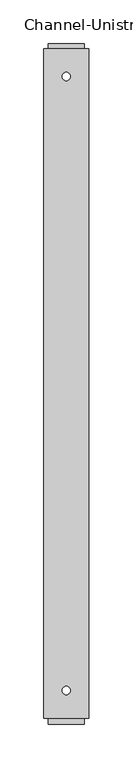
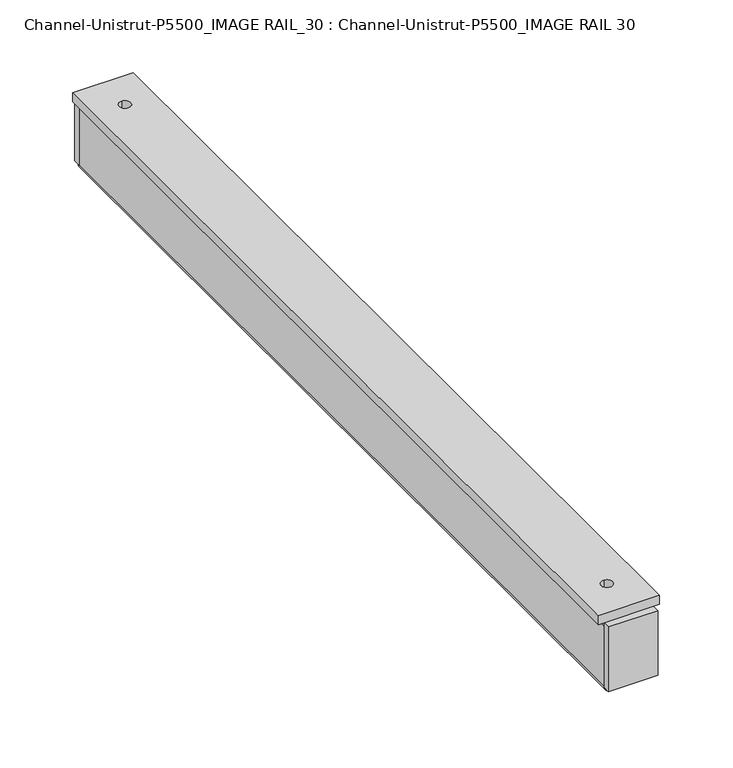
"""IFC4 building model written with IfcOpenShell, lengths in millimetres: proxy geometry, Channel-Unistrut-P5500_IMAGE RAIL_30 : Channel-Unistrut-P5500_IMAGE RAIL 30."""

from ifc_helpers import new_model, si_unit, point, frame, frame_2d, origin, place, context, project, spatial, polyline, circle_curve, trimmed, segment, composite_curve, outline, extrude, source, transform, mapped, element, save
from ifc_brep_helpers import plane_surface, cylinder_surface, revolved_surface, advanced_brep


def channel_unistrut_p5500_image_rail_30_channel_unistrut_p5500_e18b0191(model_context):
    return source(origin(), model_context, "Body", "SolidModel", [
        extrude(outline(polyline([(-20.6375, 379.8266199), (-20.6375, 386.1766199), (20.6446865, 386.1766199), (20.6446865, 379.8266199), (-20.6375, 379.8266199)])), frame((0.0, 0.0, 4.75615), z_axis=(0.0, 0.0, 1.0), x_axis=(1.0, 0.0, 0.0)), (0.0, 0.0, 1.0), 57.15),
        extrude(outline(polyline([(25.3928135, -381.0), (-25.4071865, -381.0), (-25.4071865, 381.0), (25.3928135, 381.0), (25.3928135, -381.0)]), holes=[composite_curve([segment(trimmed(circle_curve(frame_2d((-0.0071865, -349.25)), 4.7625), [point((-0.0071865, -354.0125))], [point((-0.0071865, -344.4875))], True, "CARTESIAN"), True, "CONTINUOUS"), segment(trimmed(circle_curve(frame_2d((-0.0071865, -349.25)), 4.7625), [point((-0.0071865, -344.4875))], [point((-0.0071865, -354.0125))], True, "CARTESIAN"), True, "CONTINUOUS")], self_intersect=False), composite_curve([segment(trimmed(circle_curve(frame_2d((-0.0071865, 349.25)), 4.7625), [point((-0.0071865, 344.4875))], [point((-0.0071865, 354.0125))], True, "CARTESIAN"), True, "CONTINUOUS"), segment(trimmed(circle_curve(frame_2d((-0.0071865, 349.25)), 4.7625), [point((-0.0071865, 354.0125))], [point((-0.0071865, 344.4875))], True, "CARTESIAN"), True, "CONTINUOUS")], self_intersect=False)]), frame((0.0, 0.0, 61.90615), z_axis=(0.0, 0.0, 1.0), x_axis=(1.0, 0.0, 0.0)), (0.0, 0.0, 1.0), 7.9375),
        extrude(outline(polyline([(-20.6375, -387.35), (-20.6375, -381.0), (20.6375, -381.0), (20.6375, -387.35), (-20.6375, -387.35)])), frame((0.0, 0.0, 4.7877902), z_axis=(0.0, 0.0, 1.0), x_axis=(1.0, 0.0, 0.0)), (0.0, 0.0, 1.0), 57.15),
        advanced_brep(
        [(-17.9705, 381.0, 58.4454), (-17.9705, 381.0, 5.04825), (-15.58925, 381.0, 2.667), (-14.57325, 381.0, 2.667), (-13.7795, 381.0, 3.46075), (-13.7795, 381.0, 7.1374), (-11.1125, 381.0, 7.1374), (-11.1125, 381.0, 3.46075), (-14.57325, 381.0, 0.0), (-15.58925, 381.0, 0.0), (-20.6375, 381.0, 5.04825), (-20.6375, 381.0, 58.4454), (-17.17675, 381.0, 61.90615), (17.17675, 381.0, 61.90615), (20.6375, 381.0, 58.4454), (20.6375, 381.0, 5.04825), (15.58925, 381.0, 0.0), (14.57325, 381.0, 0.0), (11.1125, 381.0, 3.46075), (11.1125, 381.0, 7.1374), (13.7795, 381.0, 7.1374), (13.7795, 381.0, 3.46075), (14.57325, 381.0, 2.667), (15.58925, 381.0, 2.667), (17.9705, 381.0, 5.04825), (17.9705, 381.0, 58.4454), (17.17675, 381.0, 59.23915), (-17.17675, 381.0, 59.23915), (-17.9705, -381.0, 58.4454), (-17.17675, -381.0, 59.23915), (17.17675, -381.0, 59.23915), (17.9705, -381.0, 58.4454), (17.9705, -381.0, 5.04825), (15.58925, -381.0, 2.667), (14.57325, -381.0, 2.667), (13.7795, -381.0, 3.46075), (13.7795, -381.0, 7.1374), (11.1125, -381.0, 7.1374), (11.1125, -381.0, 3.46075), (14.57325, -381.0, 0.0), (15.58925, -381.0, 0.0), (20.6375, -381.0, 5.04825), (20.6375, -381.0, 58.4454), (17.17675, -381.0, 61.90615), (-17.17675, -381.0, 61.90615), (-20.6375, -381.0, 58.4454), (-20.6375, -381.0, 5.04825), (-15.58925, -381.0, 0.0), (-14.57325, -381.0, 0.0), (-11.1125, -381.0, 3.46075), (-11.1125, -381.0, 7.1374), (-13.7795, -381.0, 7.1374), (-13.7795, -381.0, 3.46075), (-14.57325, -381.0, 2.667), (-15.58925, -381.0, 2.667), (-17.9705, -381.0, 5.04825), (7.14375, 108.74375, 61.90615), (7.14375, 94.45625, 61.90615), (-7.14375, 94.45625, 61.90615), (-7.14375, 108.74375, 61.90615), (7.14375, -348.45625, 61.90615), (7.14375, -362.74375, 61.90615), (-7.14375, -362.74375, 61.90615), (-7.14375, -348.45625, 61.90615), (7.14375, -297.65625, 61.90615), (7.14375, -311.94375, 61.90615), (-7.14375, -311.94375, 61.90615), (-7.14375, -297.65625, 61.90615), (7.14375, -246.85625, 61.90615), (7.14375, -261.14375, 61.90615), (-7.14375, -261.14375, 61.90615), (-7.14375, -246.85625, 61.90615), (7.14375, -196.05625, 61.90615), (7.14375, -210.34375, 61.90615), (-7.14375, -210.34375, 61.90615), (-7.14375, -196.05625, 61.90615), (7.14375, -145.25625, 61.90615), (7.14375, -159.54375, 61.90615), (-7.14375, -159.54375, 61.90615), (-7.14375, -145.25625, 61.90615), (7.14375, -94.45625, 61.90615), (7.14375, -108.74375, 61.90615), (-7.14375, -108.74375, 61.90615), (-7.14375, -94.45625, 61.90615), (7.14375, -43.65625, 61.90615), (7.14375, -57.94375, 61.90615), (-7.14375, -57.94375, 61.90615), (-7.14375, -43.65625, 61.90615), (7.14375, 7.14375, 61.90615), (7.14375, -7.14375, 61.90615), (-7.14375, -7.14375, 61.90615), (-7.14375, 7.14375, 61.90615), (7.14375, 57.94375, 61.90615), (7.14375, 43.65625, 61.90615), (-7.14375, 43.65625, 61.90615), (-7.14375, 57.94375, 61.90615), (7.14375, 159.54375, 61.90615), (7.14375, 145.25625, 61.90615), (-7.14375, 145.25625, 61.90615), (-7.14375, 159.54375, 61.90615), (7.14375, 210.34375, 61.90615), (7.14375, 196.05625, 61.90615), (-7.14375, 196.05625, 61.90615), (-7.14375, 210.34375, 61.90615), (7.14375, 261.14375, 61.90615), (7.14375, 246.85625, 61.90615), (-7.14375, 246.85625, 61.90615), (-7.14375, 261.14375, 61.90615), (7.14375, 311.94375, 61.90615), (7.14375, 297.65625, 61.90615), (-7.14375, 297.65625, 61.90615), (-7.14375, 311.94375, 61.90615), (7.14375, 362.74375, 61.90615), (7.14375, 348.45625, 61.90615), (-7.14375, 348.45625, 61.90615), (-7.14375, 362.74375, 61.90615), (7.14375, 94.45625, 59.23915), (7.14375, 108.74375, 59.23915), (-7.14375, 108.74375, 59.23915), (-7.14375, 94.45625, 59.23915), (7.14375, -362.74375, 59.23915), (7.14375, -348.45625, 59.23915), (-7.14375, -348.45625, 59.23915), (-7.14375, -362.74375, 59.23915), (7.14375, -311.94375, 59.23915), (7.14375, -297.65625, 59.23915), (-7.14375, -297.65625, 59.23915), (-7.14375, -311.94375, 59.23915), (7.14375, -261.14375, 59.23915), (7.14375, -246.85625, 59.23915), (-7.14375, -246.85625, 59.23915), (-7.14375, -261.14375, 59.23915), (7.14375, -210.34375, 59.23915), (7.14375, -196.05625, 59.23915), (-7.14375, -196.05625, 59.23915), (-7.14375, -210.34375, 59.23915), (7.14375, -159.54375, 59.23915), (7.14375, -145.25625, 59.23915), (-7.14375, -145.25625, 59.23915), (-7.14375, -159.54375, 59.23915), (7.14375, -108.74375, 59.23915), (7.14375, -94.45625, 59.23915), (-7.14375, -94.45625, 59.23915), (-7.14375, -108.74375, 59.23915), (7.14375, -57.94375, 59.23915), (7.14375, -43.65625, 59.23915), (-7.14375, -43.65625, 59.23915), (-7.14375, -57.94375, 59.23915), (7.14375, -7.14375, 59.23915), (7.14375, 7.14375, 59.23915), (-7.14375, 7.14375, 59.23915), (-7.14375, -7.14375, 59.23915), (7.14375, 43.65625, 59.23915), (7.14375, 57.94375, 59.23915), (-7.14375, 57.94375, 59.23915), (-7.14375, 43.65625, 59.23915), (7.14375, 145.25625, 59.23915), (7.14375, 159.54375, 59.23915), (-7.14375, 159.54375, 59.23915), (-7.14375, 145.25625, 59.23915), (7.14375, 196.05625, 59.23915), (7.14375, 210.34375, 59.23915), (-7.14375, 210.34375, 59.23915), (-7.14375, 196.05625, 59.23915), (7.14375, 246.85625, 59.23915), (7.14375, 261.14375, 59.23915), (-7.14375, 261.14375, 59.23915), (-7.14375, 246.85625, 59.23915), (7.14375, 297.65625, 59.23915), (7.14375, 311.94375, 59.23915), (-7.14375, 311.94375, 59.23915), (-7.14375, 297.65625, 59.23915), (7.14375, 348.45625, 59.23915), (7.14375, 362.74375, 59.23915), (-7.14375, 362.74375, 59.23915), (-7.14375, 348.45625, 59.23915)],
        [
            (0, 1),
            (1, 2, circle_curve(frame((-15.58925, 381.0, 5.04825), z_axis=(0.0, -1.0, 0.0), x_axis=(1.0, 0.0, 0.0)), 2.38125)),
            (2, 3),
            (3, 4, circle_curve(frame((-14.57325, 381.0, 3.46075), z_axis=(0.0, -1.0, 0.0), x_axis=(1.0, 0.0, 0.0)), 0.79375)),
            (4, 5),
            (5, 6),
            (6, 7),
            (7, 8, circle_curve(frame((-14.57325, 381.0, 3.46075), z_axis=(0.0, 1.0, 0.0), x_axis=(1.0, 0.0, 0.0)), 3.46075)),
            (8, 9),
            (9, 10, circle_curve(frame((-15.58925, 381.0, 5.04825), z_axis=(0.0, 1.0, 0.0), x_axis=(1.0, 0.0, 0.0)), 5.04825)),
            (10, 11),
            (11, 12, circle_curve(frame((-17.17675, 381.0, 58.4454), z_axis=(0.0, 1.0, 0.0), x_axis=(1.0, 0.0, 0.0)), 3.46075)),
            (12, 13),
            (13, 14, circle_curve(frame((17.17675, 381.0, 58.4454), z_axis=(0.0, 1.0, 0.0), x_axis=(1.0, 0.0, 0.0)), 3.46075)),
            (14, 15),
            (15, 16, circle_curve(frame((15.58925, 381.0, 5.04825), z_axis=(0.0, 1.0, 0.0), x_axis=(1.0, 0.0, 0.0)), 5.04825)),
            (16, 17),
            (17, 18, circle_curve(frame((14.57325, 381.0, 3.46075), z_axis=(0.0, 1.0, 0.0), x_axis=(1.0, 0.0, 0.0)), 3.46075)),
            (18, 19),
            (19, 20),
            (20, 21),
            (21, 22, circle_curve(frame((14.57325, 381.0, 3.46075), z_axis=(0.0, -1.0, 0.0), x_axis=(1.0, 0.0, 0.0)), 0.79375)),
            (22, 23),
            (23, 24, circle_curve(frame((15.58925, 381.0, 5.04825), z_axis=(0.0, -1.0, 0.0), x_axis=(1.0, 0.0, 0.0)), 2.38125)),
            (24, 25),
            (25, 26, circle_curve(frame((17.17675, 381.0, 58.4454), z_axis=(0.0, -1.0, 0.0), x_axis=(1.0, 0.0, 0.0)), 0.79375)),
            (26, 27),
            (27, 0, circle_curve(frame((-17.17675, 381.0, 58.4454), z_axis=(0.0, -1.0, 0.0), x_axis=(1.0, 0.0, 0.0)), 0.79375)),
            (28, 29, circle_curve(frame((-17.17675, -381.0, 58.4454), z_axis=(0.0, 1.0, 0.0), x_axis=(1.0, 0.0, 0.0)), 0.79375)),
            (29, 30),
            (30, 31, circle_curve(frame((17.17675, -381.0, 58.4454), z_axis=(0.0, 1.0, 0.0), x_axis=(1.0, 0.0, 0.0)), 0.79375)),
            (31, 32),
            (32, 33, circle_curve(frame((15.58925, -381.0, 5.04825), z_axis=(0.0, 1.0, 0.0), x_axis=(1.0, 0.0, 0.0)), 2.38125)),
            (33, 34),
            (34, 35, circle_curve(frame((14.57325, -381.0, 3.46075), z_axis=(0.0, 1.0, 0.0), x_axis=(1.0, 0.0, 0.0)), 0.79375)),
            (35, 36),
            (36, 37),
            (37, 38),
            (38, 39, circle_curve(frame((14.57325, -381.0, 3.46075), z_axis=(0.0, -1.0, 0.0), x_axis=(1.0, 0.0, 0.0)), 3.46075)),
            (39, 40),
            (40, 41, circle_curve(frame((15.58925, -381.0, 5.04825), z_axis=(0.0, -1.0, 0.0), x_axis=(1.0, 0.0, 0.0)), 5.04825)),
            (41, 42),
            (42, 43, circle_curve(frame((17.17675, -381.0, 58.4454), z_axis=(0.0, -1.0, 0.0), x_axis=(1.0, 0.0, 0.0)), 3.46075)),
            (43, 44),
            (44, 45, circle_curve(frame((-17.17675, -381.0, 58.4454), z_axis=(0.0, -1.0, 0.0), x_axis=(1.0, 0.0, 0.0)), 3.46075)),
            (45, 46),
            (46, 47, circle_curve(frame((-15.58925, -381.0, 5.04825), z_axis=(0.0, -1.0, 0.0), x_axis=(1.0, 0.0, 0.0)), 5.04825)),
            (47, 48),
            (48, 49, circle_curve(frame((-14.57325, -381.0, 3.46075), z_axis=(0.0, -1.0, 0.0), x_axis=(1.0, 0.0, 0.0)), 3.46075)),
            (49, 50),
            (50, 51),
            (51, 52),
            (52, 53, circle_curve(frame((-14.57325, -381.0, 3.46075), z_axis=(0.0, 1.0, 0.0), x_axis=(1.0, 0.0, 0.0)), 0.79375)),
            (53, 54),
            (54, 55, circle_curve(frame((-15.58925, -381.0, 5.04825), z_axis=(0.0, 1.0, 0.0), x_axis=(1.0, 0.0, 0.0)), 2.38125)),
            (55, 28),
            (0, 28),
            (55, 1),
            (54, 2),
            (53, 3),
            (52, 4),
            (51, 5),
            (50, 6),
            (49, 7),
            (48, 8),
            (47, 9),
            (46, 10),
            (45, 11),
            (44, 12),
            (43, 13),
            (56, 57),
            (57, 58, circle_curve(frame((0.0, 94.45625, 61.90615), z_axis=(0.0, 0.0, -1.0), x_axis=(1.0, 0.0, 0.0)), 7.14375)),
            (58, 59),
            (59, 56, circle_curve(frame((0.0, 108.74375, 61.90615), z_axis=(0.0, 0.0, -1.0), x_axis=(1.0, 0.0, 0.0)), 7.14375)),
            (60, 61),
            (61, 62, circle_curve(frame((0.0, -362.74375, 61.90615), z_axis=(0.0, 0.0, -1.0), x_axis=(1.0, 0.0, 0.0)), 7.14375)),
            (62, 63),
            (63, 60, circle_curve(frame((0.0, -348.45625, 61.90615), z_axis=(0.0, 0.0, -1.0), x_axis=(1.0, 0.0, 0.0)), 7.14375)),
            (64, 65),
            (65, 66, circle_curve(frame((0.0, -311.94375, 61.90615), z_axis=(0.0, 0.0, -1.0), x_axis=(1.0, 0.0, 0.0)), 7.14375)),
            (66, 67),
            (67, 64, circle_curve(frame((0.0, -297.65625, 61.90615), z_axis=(0.0, 0.0, -1.0), x_axis=(1.0, 0.0, 0.0)), 7.14375)),
            (68, 69),
            (69, 70, circle_curve(frame((0.0, -261.14375, 61.90615), z_axis=(0.0, 0.0, -1.0), x_axis=(1.0, 0.0, 0.0)), 7.14375)),
            (70, 71),
            (71, 68, circle_curve(frame((0.0, -246.85625, 61.90615), z_axis=(0.0, 0.0, -1.0), x_axis=(1.0, 0.0, 0.0)), 7.14375)),
            (72, 73),
            (73, 74, circle_curve(frame((0.0, -210.34375, 61.90615), z_axis=(0.0, 0.0, -1.0), x_axis=(1.0, 0.0, 0.0)), 7.14375)),
            (74, 75),
            (75, 72, circle_curve(frame((0.0, -196.05625, 61.90615), z_axis=(0.0, 0.0, -1.0), x_axis=(1.0, 0.0, 0.0)), 7.14375)),
            (76, 77),
            (77, 78, circle_curve(frame((0.0, -159.54375, 61.90615), z_axis=(0.0, 0.0, -1.0), x_axis=(1.0, 0.0, 0.0)), 7.14375)),
            (78, 79),
            (79, 76, circle_curve(frame((0.0, -145.25625, 61.90615), z_axis=(0.0, 0.0, -1.0), x_axis=(1.0, 0.0, 0.0)), 7.14375)),
            (80, 81),
            (81, 82, circle_curve(frame((0.0, -108.74375, 61.90615), z_axis=(0.0, 0.0, -1.0), x_axis=(1.0, 0.0, 0.0)), 7.14375)),
            (82, 83),
            (83, 80, circle_curve(frame((0.0, -94.45625, 61.90615), z_axis=(0.0, 0.0, -1.0), x_axis=(1.0, 0.0, 0.0)), 7.14375)),
            (84, 85),
            (85, 86, circle_curve(frame((0.0, -57.94375, 61.90615), z_axis=(0.0, 0.0, -1.0), x_axis=(1.0, 0.0, 0.0)), 7.14375)),
            (86, 87),
            (87, 84, circle_curve(frame((0.0, -43.65625, 61.90615), z_axis=(0.0, 0.0, -1.0), x_axis=(1.0, 0.0, 0.0)), 7.14375)),
            (88, 89),
            (89, 90, circle_curve(frame((0.0, -7.14375, 61.90615), z_axis=(0.0, 0.0, -1.0), x_axis=(1.0, 0.0, 0.0)), 7.14375)),
            (90, 91),
            (91, 88, circle_curve(frame((0.0, 7.14375, 61.90615), z_axis=(0.0, 0.0, -1.0), x_axis=(1.0, 0.0, 0.0)), 7.14375)),
            (92, 93),
            (93, 94, circle_curve(frame((0.0, 43.65625, 61.90615), z_axis=(0.0, 0.0, -1.0), x_axis=(1.0, 0.0, 0.0)), 7.14375)),
            (94, 95),
            (95, 92, circle_curve(frame((0.0, 57.94375, 61.90615), z_axis=(0.0, 0.0, -1.0), x_axis=(1.0, 0.0, 0.0)), 7.14375)),
            (96, 97),
            (97, 98, circle_curve(frame((0.0, 145.25625, 61.90615), z_axis=(0.0, 0.0, -1.0), x_axis=(1.0, 0.0, 0.0)), 7.14375)),
            (98, 99),
            (99, 96, circle_curve(frame((0.0, 159.54375, 61.90615), z_axis=(0.0, 0.0, -1.0), x_axis=(1.0, 0.0, 0.0)), 7.14375)),
            (100, 101),
            (101, 102, circle_curve(frame((0.0, 196.05625, 61.90615), z_axis=(0.0, 0.0, -1.0), x_axis=(1.0, 0.0, 0.0)), 7.14375)),
            (102, 103),
            (103, 100, circle_curve(frame((0.0, 210.34375, 61.90615), z_axis=(0.0, 0.0, -1.0), x_axis=(1.0, 0.0, 0.0)), 7.14375)),
            (104, 105),
            (105, 106, circle_curve(frame((0.0, 246.85625, 61.90615), z_axis=(0.0, 0.0, -1.0), x_axis=(1.0, 0.0, 0.0)), 7.14375)),
            (106, 107),
            (107, 104, circle_curve(frame((0.0, 261.14375, 61.90615), z_axis=(0.0, 0.0, -1.0), x_axis=(1.0, 0.0, 0.0)), 7.14375)),
            (108, 109),
            (109, 110, circle_curve(frame((0.0, 297.65625, 61.90615), z_axis=(0.0, 0.0, -1.0), x_axis=(1.0, 0.0, 0.0)), 7.14375)),
            (110, 111),
            (111, 108, circle_curve(frame((0.0, 311.94375, 61.90615), z_axis=(0.0, 0.0, -1.0), x_axis=(1.0, 0.0, 0.0)), 7.14375)),
            (112, 113),
            (113, 114, circle_curve(frame((0.0, 348.45625, 61.90615), z_axis=(0.0, 0.0, -1.0), x_axis=(1.0, 0.0, 0.0)), 7.14375)),
            (114, 115),
            (115, 112, circle_curve(frame((0.0, 362.74375, 61.90615), z_axis=(0.0, 0.0, -1.0), x_axis=(1.0, 0.0, 0.0)), 7.14375)),
            (42, 14),
            (41, 15),
            (40, 16),
            (39, 17),
            (38, 18),
            (37, 19),
            (36, 20),
            (35, 21),
            (34, 22),
            (33, 23),
            (32, 24),
            (31, 25),
            (30, 26),
            (29, 27),
            (116, 117),
            (117, 118, circle_curve(frame((0.0, 108.74375, 59.23915), z_axis=(0.0, 0.0, 1.0), x_axis=(1.0, 0.0, 0.0)), 7.14375)),
            (118, 119),
            (119, 116, circle_curve(frame((0.0, 94.45625, 59.23915), z_axis=(0.0, 0.0, 1.0), x_axis=(1.0, 0.0, 0.0)), 7.14375)),
            (120, 121),
            (121, 122, circle_curve(frame((0.0, -348.45625, 59.23915), z_axis=(0.0, 0.0, 1.0), x_axis=(1.0, 0.0, 0.0)), 7.14375)),
            (122, 123),
            (123, 120, circle_curve(frame((0.0, -362.74375, 59.23915), z_axis=(0.0, 0.0, 1.0), x_axis=(1.0, 0.0, 0.0)), 7.14375)),
            (124, 125),
            (125, 126, circle_curve(frame((0.0, -297.65625, 59.23915), z_axis=(0.0, 0.0, 1.0), x_axis=(1.0, 0.0, 0.0)), 7.14375)),
            (126, 127),
            (127, 124, circle_curve(frame((0.0, -311.94375, 59.23915), z_axis=(0.0, 0.0, 1.0), x_axis=(1.0, 0.0, 0.0)), 7.14375)),
            (128, 129),
            (129, 130, circle_curve(frame((0.0, -246.85625, 59.23915), z_axis=(0.0, 0.0, 1.0), x_axis=(1.0, 0.0, 0.0)), 7.14375)),
            (130, 131),
            (131, 128, circle_curve(frame((0.0, -261.14375, 59.23915), z_axis=(0.0, 0.0, 1.0), x_axis=(1.0, 0.0, 0.0)), 7.14375)),
            (132, 133),
            (133, 134, circle_curve(frame((0.0, -196.05625, 59.23915), z_axis=(0.0, 0.0, 1.0), x_axis=(1.0, 0.0, 0.0)), 7.14375)),
            (134, 135),
            (135, 132, circle_curve(frame((0.0, -210.34375, 59.23915), z_axis=(0.0, 0.0, 1.0), x_axis=(1.0, 0.0, 0.0)), 7.14375)),
            (136, 137),
            (137, 138, circle_curve(frame((0.0, -145.25625, 59.23915), z_axis=(0.0, 0.0, 1.0), x_axis=(1.0, 0.0, 0.0)), 7.14375)),
            (138, 139),
            (139, 136, circle_curve(frame((0.0, -159.54375, 59.23915), z_axis=(0.0, 0.0, 1.0), x_axis=(1.0, 0.0, 0.0)), 7.14375)),
            (140, 141),
            (141, 142, circle_curve(frame((0.0, -94.45625, 59.23915), z_axis=(0.0, 0.0, 1.0), x_axis=(1.0, 0.0, 0.0)), 7.14375)),
            (142, 143),
            (143, 140, circle_curve(frame((0.0, -108.74375, 59.23915), z_axis=(0.0, 0.0, 1.0), x_axis=(1.0, 0.0, 0.0)), 7.14375)),
            (144, 145),
            (145, 146, circle_curve(frame((0.0, -43.65625, 59.23915), z_axis=(0.0, 0.0, 1.0), x_axis=(1.0, 0.0, 0.0)), 7.14375)),
            (146, 147),
            (147, 144, circle_curve(frame((0.0, -57.94375, 59.23915), z_axis=(0.0, 0.0, 1.0), x_axis=(1.0, 0.0, 0.0)), 7.14375)),
            (148, 149),
            (149, 150, circle_curve(frame((0.0, 7.14375, 59.23915), z_axis=(0.0, 0.0, 1.0), x_axis=(1.0, 0.0, 0.0)), 7.14375)),
            (150, 151),
            (151, 148, circle_curve(frame((0.0, -7.14375, 59.23915), z_axis=(0.0, 0.0, 1.0), x_axis=(1.0, 0.0, 0.0)), 7.14375)),
            (152, 153),
            (153, 154, circle_curve(frame((0.0, 57.94375, 59.23915), z_axis=(0.0, 0.0, 1.0), x_axis=(1.0, 0.0, 0.0)), 7.14375)),
            (154, 155),
            (155, 152, circle_curve(frame((0.0, 43.65625, 59.23915), z_axis=(0.0, 0.0, 1.0), x_axis=(1.0, 0.0, 0.0)), 7.14375)),
            (156, 157),
            (157, 158, circle_curve(frame((0.0, 159.54375, 59.23915), z_axis=(0.0, 0.0, 1.0), x_axis=(1.0, 0.0, 0.0)), 7.14375)),
            (158, 159),
            (159, 156, circle_curve(frame((0.0, 145.25625, 59.23915), z_axis=(0.0, 0.0, 1.0), x_axis=(1.0, 0.0, 0.0)), 7.14375)),
            (160, 161),
            (161, 162, circle_curve(frame((0.0, 210.34375, 59.23915), z_axis=(0.0, 0.0, 1.0), x_axis=(1.0, 0.0, 0.0)), 7.14375)),
            (162, 163),
            (163, 160, circle_curve(frame((0.0, 196.05625, 59.23915), z_axis=(0.0, 0.0, 1.0), x_axis=(1.0, 0.0, 0.0)), 7.14375)),
            (164, 165),
            (165, 166, circle_curve(frame((0.0, 261.14375, 59.23915), z_axis=(0.0, 0.0, 1.0), x_axis=(1.0, 0.0, 0.0)), 7.14375)),
            (166, 167),
            (167, 164, circle_curve(frame((0.0, 246.85625, 59.23915), z_axis=(0.0, 0.0, 1.0), x_axis=(1.0, 0.0, 0.0)), 7.14375)),
            (168, 169),
            (169, 170, circle_curve(frame((0.0, 311.94375, 59.23915), z_axis=(0.0, 0.0, 1.0), x_axis=(1.0, 0.0, 0.0)), 7.14375)),
            (170, 171),
            (171, 168, circle_curve(frame((0.0, 297.65625, 59.23915), z_axis=(0.0, 0.0, 1.0), x_axis=(1.0, 0.0, 0.0)), 7.14375)),
            (172, 173),
            (173, 174, circle_curve(frame((0.0, 362.74375, 59.23915), z_axis=(0.0, 0.0, 1.0), x_axis=(1.0, 0.0, 0.0)), 7.14375)),
            (174, 175),
            (175, 172, circle_curve(frame((0.0, 348.45625, 59.23915), z_axis=(0.0, 0.0, 1.0), x_axis=(1.0, 0.0, 0.0)), 7.14375)),
            (60, 121),
            (120, 61),
            (63, 122),
            (62, 123),
            (64, 125),
            (124, 65),
            (67, 126),
            (66, 127),
            (68, 129),
            (128, 69),
            (71, 130),
            (70, 131),
            (72, 133),
            (132, 73),
            (75, 134),
            (74, 135),
            (76, 137),
            (136, 77),
            (79, 138),
            (78, 139),
            (80, 141),
            (140, 81),
            (83, 142),
            (82, 143),
            (84, 145),
            (144, 85),
            (87, 146),
            (86, 147),
            (88, 149),
            (148, 89),
            (91, 150),
            (90, 151),
            (153, 92),
            (95, 154),
            (117, 56),
            (59, 118),
            (157, 96),
            (99, 158),
            (161, 100),
            (103, 162),
            (152, 93),
            (94, 155),
            (116, 57),
            (58, 119),
            (156, 97),
            (98, 159),
            (160, 101),
            (102, 163),
            (104, 165),
            (164, 105),
            (107, 166),
            (106, 167),
            (108, 169),
            (168, 109),
            (111, 170),
            (110, 171),
            (112, 173),
            (172, 113),
            (115, 174),
            (114, 175),
        ],
        [
            plane_surface(frame((0.0, 381.0, 0.0), z_axis=(0.0, 1.0, 0.0), x_axis=(0.0, 0.0, 1.0))),
            plane_surface(frame((0.0, -381.0, 0.0), z_axis=(0.0, -1.0, 0.0), x_axis=(0.0, 0.0, 1.0))),
            plane_surface(frame((-17.9705, 381.0, 58.4454), z_axis=(1.0, 0.0, 0.0), x_axis=(0.0, -1.0, 0.0))),
            revolved_surface(polyline([(-13.208, -381.0, 5.04825), (-13.208, 381.0, 5.04825)]), (-15.58925, 381.0, 5.04825), (0.0, -1.0, 0.0)),
            plane_surface(frame((-15.58925, 381.0, 2.667), z_axis=(0.0, 0.0, 1.0), x_axis=(0.0, -1.0, 0.0))),
            revolved_surface(polyline([(-13.7795, -381.0, 3.46075), (-13.7795, 381.0, 3.46075)]), (-14.57325, 381.0, 3.46075), (0.0, -1.0, 0.0)),
            plane_surface(frame((-13.7795, 381.0, 3.46075), z_axis=(-1.0, 0.0, 0.0), x_axis=(0.0, -1.0, 0.0))),
            plane_surface(frame((-13.7795, 381.0, 7.1374), z_axis=(0.0, 0.0, 1.0), x_axis=(0.0, -1.0, 0.0))),
            plane_surface(frame((-11.1125, 381.0, 7.1374), z_axis=(1.0, 0.0, 0.0), x_axis=(0.0, -1.0, 0.0))),
            cylinder_surface(frame((-14.57325, 381.0, 3.46075), z_axis=(0.0, 1.0, 0.0), x_axis=(1.0, 0.0, 0.0)), 3.46075),
            plane_surface(frame((-14.57325, 381.0, 0.0), z_axis=(0.0, 0.0, -1.0), x_axis=(0.0, -1.0, 0.0))),
            cylinder_surface(frame((-15.58925, 381.0, 5.04825), z_axis=(0.0, 1.0, 0.0), x_axis=(1.0, 0.0, 0.0)), 5.04825),
            plane_surface(frame((-20.6375, 381.0, 5.04825), z_axis=(-1.0, 0.0, 0.0), x_axis=(0.0, -1.0, 0.0))),
            cylinder_surface(frame((-17.17675, 381.0, 58.4454), z_axis=(0.0, 1.0, 0.0), x_axis=(1.0, 0.0, 0.0)), 3.46075),
            plane_surface(frame((-17.17675, 381.0, 61.90615), z_axis=(0.0, 0.0, 1.0), x_axis=(0.0, -1.0, 0.0))),
            cylinder_surface(frame((17.17675, 381.0, 58.4454), z_axis=(0.0, 1.0, 0.0), x_axis=(1.0, 0.0, 0.0)), 3.46075),
            plane_surface(frame((20.6375, 381.0, 58.4454), z_axis=(1.0, 0.0, 0.0), x_axis=(0.0, -1.0, 0.0))),
            cylinder_surface(frame((15.58925, 381.0, 5.04825), z_axis=(0.0, 1.0, 0.0), x_axis=(1.0, 0.0, 0.0)), 5.04825),
            plane_surface(frame((15.58925, 381.0, 0.0), z_axis=(0.0, 0.0, -1.0), x_axis=(0.0, -1.0, 0.0))),
            cylinder_surface(frame((14.57325, 381.0, 3.46075), z_axis=(0.0, 1.0, 0.0), x_axis=(1.0, 0.0, 0.0)), 3.46075),
            plane_surface(frame((11.1125, 381.0, 3.46075), z_axis=(-1.0, 0.0, 0.0), x_axis=(0.0, -1.0, 0.0))),
            plane_surface(frame((11.1125, 381.0, 7.1374), z_axis=(0.0, 0.0, 1.0), x_axis=(0.0, -1.0, 0.0))),
            plane_surface(frame((13.7795, 381.0, 7.1374), z_axis=(1.0, 0.0, 0.0), x_axis=(0.0, -1.0, 0.0))),
            revolved_surface(polyline([(15.366999999999999, -381.0, 3.46075), (15.366999999999999, 381.0, 3.46075)]), (14.57325, 381.0, 3.46075), (0.0, -1.0, 0.0)),
            plane_surface(frame((14.57325, 381.0, 2.667), z_axis=(0.0, 0.0, 1.0), x_axis=(0.0, -1.0, 0.0))),
            revolved_surface(polyline([(17.9705, -381.0, 5.04825), (17.9705, 381.0, 5.04825)]), (15.58925, 381.0, 5.04825), (0.0, -1.0, 0.0)),
            plane_surface(frame((17.9705, 381.0, 5.04825), z_axis=(-1.0, 0.0, 0.0), x_axis=(0.0, -1.0, 0.0))),
            revolved_surface(polyline([(17.970499999999998, -381.0, 58.4454), (17.970499999999998, 381.0, 58.4454)]), (17.17675, 381.0, 58.4454), (0.0, -1.0, 0.0)),
            plane_surface(frame((17.17675, 381.0, 59.23915), z_axis=(0.0, 0.0, -1.0), x_axis=(0.0, -1.0, 0.0))),
            revolved_surface(polyline([(-16.383, -381.0, 58.4454), (-16.383, 381.0, 58.4454)]), (-17.17675, 381.0, 58.4454), (0.0, -1.0, 0.0)),
            plane_surface(frame((7.14375, -362.74375, 61.9125), z_axis=(-1.0, 0.0, 0.0), x_axis=(0.0, 0.0, -1.0))),
            revolved_surface(polyline([(7.14375, -348.45625, 61.90615), (7.14375, -348.45625, 59.23915)]), (0.0, -348.45625, 59.2455), (0.0, 0.0, 1.0)),
            plane_surface(frame((-7.14375, -348.45625, 61.9125), z_axis=(1.0, 0.0, 0.0), x_axis=(0.0, 0.0, -1.0))),
            revolved_surface(polyline([(7.14375, -362.74375, 61.90615), (7.14375, -362.74375, 59.23915)]), (0.0, -362.74375, 59.2455), (0.0, 0.0, 1.0)),
            plane_surface(frame((7.14375, -311.94375, 61.9125), z_axis=(-1.0, 0.0, 0.0), x_axis=(0.0, 0.0, -1.0))),
            revolved_surface(polyline([(7.14375, -297.65625, 61.90615), (7.14375, -297.65625, 59.23915)]), (0.0, -297.65625, 59.2455), (0.0, 0.0, 1.0)),
            plane_surface(frame((-7.14375, -297.65625, 61.9125), z_axis=(1.0, 0.0, 0.0), x_axis=(0.0, 0.0, -1.0))),
            revolved_surface(polyline([(7.14375, -311.94375, 61.90615), (7.14375, -311.94375, 59.23915)]), (0.0, -311.94375, 59.2455), (0.0, 0.0, 1.0)),
            plane_surface(frame((7.14375, -261.14375, 61.9125), z_axis=(-1.0, 0.0, 0.0), x_axis=(0.0, 0.0, -1.0))),
            revolved_surface(polyline([(7.14375, -246.85625, 61.90615), (7.14375, -246.85625, 59.23915)]), (0.0, -246.85625, 59.2455), (0.0, 0.0, 1.0)),
            plane_surface(frame((-7.14375, -246.85625, 61.9125), z_axis=(1.0, 0.0, 0.0), x_axis=(0.0, 0.0, -1.0))),
            revolved_surface(polyline([(7.14375, -261.14375, 61.90615), (7.14375, -261.14375, 59.23915)]), (0.0, -261.14375, 59.2455), (0.0, 0.0, 1.0)),
            plane_surface(frame((7.14375, -210.34375, 61.9125), z_axis=(-1.0, 0.0, 0.0), x_axis=(0.0, 0.0, -1.0))),
            revolved_surface(polyline([(7.14375, -196.05625, 61.90615), (7.14375, -196.05625, 59.23915)]), (0.0, -196.05625, 59.2455), (0.0, 0.0, 1.0)),
            plane_surface(frame((-7.14375, -196.05625, 61.9125), z_axis=(1.0, 0.0, 0.0), x_axis=(0.0, 0.0, -1.0))),
            revolved_surface(polyline([(7.14375, -210.34375, 61.90615), (7.14375, -210.34375, 59.23915)]), (0.0, -210.34375, 59.2455), (0.0, 0.0, 1.0)),
            plane_surface(frame((7.14375, -159.54375, 61.9125), z_axis=(-1.0, 0.0, 0.0), x_axis=(0.0, 0.0, -1.0))),
            revolved_surface(polyline([(7.14375, -145.25625, 61.90615), (7.14375, -145.25625, 59.23915)]), (0.0, -145.25625, 59.2455), (0.0, 0.0, 1.0)),
            plane_surface(frame((-7.14375, -145.25625, 61.9125), z_axis=(1.0, 0.0, 0.0), x_axis=(0.0, 0.0, -1.0))),
            revolved_surface(polyline([(7.14375, -159.54375, 61.90615), (7.14375, -159.54375, 59.23915)]), (0.0, -159.54375, 59.2455), (0.0, 0.0, 1.0)),
            plane_surface(frame((7.14375, -108.74375, 61.9125), z_axis=(-1.0, 0.0, 0.0), x_axis=(0.0, 0.0, -1.0))),
            revolved_surface(polyline([(7.14375, -94.45625, 61.90615), (7.14375, -94.45625, 59.23915)]), (0.0, -94.45625, 59.2455), (0.0, 0.0, 1.0)),
            plane_surface(frame((-7.14375, -94.45625, 61.9125), z_axis=(1.0, 0.0, 0.0), x_axis=(0.0, 0.0, -1.0))),
            revolved_surface(polyline([(7.14375, -108.74375, 61.90615), (7.14375, -108.74375, 59.23915)]), (0.0, -108.74375, 59.2455), (0.0, 0.0, 1.0)),
            plane_surface(frame((7.14375, -57.94375, 61.9125), z_axis=(-1.0, 0.0, 0.0), x_axis=(0.0, 0.0, -1.0))),
            revolved_surface(polyline([(7.14375, -43.65625, 61.90615), (7.14375, -43.65625, 59.23915)]), (0.0, -43.65625, 59.2455), (0.0, 0.0, 1.0)),
            plane_surface(frame((-7.14375, -43.65625, 61.9125), z_axis=(1.0, 0.0, 0.0), x_axis=(0.0, 0.0, -1.0))),
            revolved_surface(polyline([(7.14375, -57.94375, 61.90615), (7.14375, -57.94375, 59.23915)]), (0.0, -57.94375, 59.2455), (0.0, 0.0, 1.0)),
            plane_surface(frame((7.14375, -7.14375, 61.9125), z_axis=(-1.0, 0.0, 0.0), x_axis=(0.0, 0.0, -1.0))),
            revolved_surface(polyline([(7.14375, 7.14375, 61.90615), (7.14375, 7.14375, 59.23915)]), (0.0, 7.14375, 59.2455), (0.0, 0.0, 1.0)),
            plane_surface(frame((-7.14375, 7.14375, 61.9125), z_axis=(1.0, 0.0, 0.0), x_axis=(0.0, 0.0, -1.0))),
            revolved_surface(polyline([(7.14375, -7.14375, 61.90615), (7.14375, -7.14375, 59.23915)]), (0.0, -7.14375, 59.2455), (0.0, 0.0, 1.0)),
            revolved_surface(polyline([(7.14375, 57.94375, 61.90615), (7.14375, 57.94375, 59.23915)]), (0.0, 57.94375, 59.2455), (0.0, 0.0, 1.0)),
            revolved_surface(polyline([(7.14375, 108.74375, 61.90615), (7.14375, 108.74375, 59.23915)]), (0.0, 108.74375, 59.2455), (0.0, 0.0, 1.0)),
            revolved_surface(polyline([(7.14375, 159.54375, 61.90615), (7.14375, 159.54375, 59.23915)]), (0.0, 159.54375, 59.2455), (0.0, 0.0, 1.0)),
            revolved_surface(polyline([(7.14375, 210.34375, 61.90615), (7.14375, 210.34375, 59.23915)]), (0.0, 210.34375, 59.2455), (0.0, 0.0, 1.0)),
            plane_surface(frame((7.14375, 43.65625, 61.9125), z_axis=(-1.0, 0.0, 0.0), x_axis=(0.0, 0.0, -1.0))),
            plane_surface(frame((-7.14375, 57.94375, 61.9125), z_axis=(1.0, 0.0, 0.0), x_axis=(0.0, 0.0, -1.0))),
            revolved_surface(polyline([(7.14375, 43.65625, 61.90615), (7.14375, 43.65625, 59.23915)]), (0.0, 43.65625, 59.2455), (0.0, 0.0, 1.0)),
            plane_surface(frame((7.14375, 94.45625, 61.9125), z_axis=(-1.0, 0.0, 0.0), x_axis=(0.0, 0.0, -1.0))),
            plane_surface(frame((-7.14375, 108.74375, 61.9125), z_axis=(1.0, 0.0, 0.0), x_axis=(0.0, 0.0, -1.0))),
            revolved_surface(polyline([(7.14375, 94.45625, 61.90615), (7.14375, 94.45625, 59.23915)]), (0.0, 94.45625, 59.2455), (0.0, 0.0, 1.0)),
            plane_surface(frame((7.14375, 145.25625, 61.9125), z_axis=(-1.0, 0.0, 0.0), x_axis=(0.0, 0.0, -1.0))),
            plane_surface(frame((-7.14375, 159.54375, 61.9125), z_axis=(1.0, 0.0, 0.0), x_axis=(0.0, 0.0, -1.0))),
            revolved_surface(polyline([(7.14375, 145.25625, 61.90615), (7.14375, 145.25625, 59.23915)]), (0.0, 145.25625, 59.2455), (0.0, 0.0, 1.0)),
            plane_surface(frame((7.14375, 196.05625, 61.9125), z_axis=(-1.0, 0.0, 0.0), x_axis=(0.0, 0.0, -1.0))),
            plane_surface(frame((-7.14375, 210.34375, 61.9125), z_axis=(1.0, 0.0, 0.0), x_axis=(0.0, 0.0, -1.0))),
            revolved_surface(polyline([(7.14375, 196.05625, 61.90615), (7.14375, 196.05625, 59.23915)]), (0.0, 196.05625, 59.2455), (0.0, 0.0, 1.0)),
            plane_surface(frame((7.14375, 246.85625, 61.9125), z_axis=(-1.0, 0.0, 0.0), x_axis=(0.0, 0.0, -1.0))),
            revolved_surface(polyline([(7.14375, 261.14375, 61.90615), (7.14375, 261.14375, 59.23915)]), (0.0, 261.14375, 59.2455), (0.0, 0.0, 1.0)),
            plane_surface(frame((-7.14375, 261.14375, 61.9125), z_axis=(1.0, 0.0, 0.0), x_axis=(0.0, 0.0, -1.0))),
            revolved_surface(polyline([(7.14375, 246.85625, 61.90615), (7.14375, 246.85625, 59.23915)]), (0.0, 246.85625, 59.2455), (0.0, 0.0, 1.0)),
            plane_surface(frame((7.14375, 297.65625, 61.9125), z_axis=(-1.0, 0.0, 0.0), x_axis=(0.0, 0.0, -1.0))),
            revolved_surface(polyline([(7.14375, 311.94375, 61.90615), (7.14375, 311.94375, 59.23915)]), (0.0, 311.94375, 59.2455), (0.0, 0.0, 1.0)),
            plane_surface(frame((-7.14375, 311.94375, 61.9125), z_axis=(1.0, 0.0, 0.0), x_axis=(0.0, 0.0, -1.0))),
            revolved_surface(polyline([(7.14375, 297.65625, 61.90615), (7.14375, 297.65625, 59.23915)]), (0.0, 297.65625, 59.2455), (0.0, 0.0, 1.0)),
            plane_surface(frame((7.14375, 348.45625, 61.9125), z_axis=(-1.0, 0.0, 0.0), x_axis=(0.0, 0.0, -1.0))),
            revolved_surface(polyline([(7.14375, 362.74375, 61.90615), (7.14375, 362.74375, 59.23915)]), (0.0, 362.74375, 59.2455), (0.0, 0.0, 1.0)),
            plane_surface(frame((-7.14375, 362.74375, 61.9125), z_axis=(1.0, 0.0, 0.0), x_axis=(0.0, 0.0, -1.0))),
            revolved_surface(polyline([(7.14375, 348.45625, 61.90615), (7.14375, 348.45625, 59.23915)]), (0.0, 348.45625, 59.2455), (0.0, 0.0, 1.0)),
        ],
        [
            (0, [[1, 2, 3, 4, 5, 6, 7, 8, 9, 10, 11, 12, 13, 14, 15, 16, 17, 18, 19, 20, 21, 22, 23, 24, 25, 26, 27, 28]]),
            (1, [[29, 30, 31, 32, 33, 34, 35, 36, 37, 38, 39, 40, 41, 42, 43, 44, 45, 46, 47, 48, 49, 50, 51, 52, 53, 54, 55, 56]]),
            (2, [[-1, 57, -56, 58]]),
            (3, [[-2, -58, -55, 59]]),
            (4, [[-3, -59, -54, 60]]),
            (5, [[-4, -60, -53, 61]]),
            (6, [[-5, -61, -52, 62]]),
            (7, [[-6, -62, -51, 63]]),
            (8, [[-7, -63, -50, 64]]),
            (9, [[-8, -64, -49, 65]]),
            (10, [[-9, -65, -48, 66]]),
            (11, [[-10, -66, -47, 67]]),
            (12, [[-11, -67, -46, 68]]),
            (13, [[-12, -68, -45, 69]]),
            (14, [[-13, -69, -44, 70], [71, 72, 73, 74], [75, 76, 77, 78], [79, 80, 81, 82], [83, 84, 85, 86], [87, 88, 89, 90], [91, 92, 93, 94], [95, 96, 97, 98], [99, 100, 101, 102], [103, 104, 105, 106], [107, 108, 109, 110], [111, 112, 113, 114], [115, 116, 117, 118], [119, 120, 121, 122], [123, 124, 125, 126], [127, 128, 129, 130]]),
            (15, [[-14, -70, -43, 131]]),
            (16, [[-15, -131, -42, 132]]),
            (17, [[-16, -132, -41, 133]]),
            (18, [[-17, -133, -40, 134]]),
            (19, [[-18, -134, -39, 135]]),
            (20, [[-19, -135, -38, 136]]),
            (21, [[-20, -136, -37, 137]]),
            (22, [[-21, -137, -36, 138]]),
            (23, [[-22, -138, -35, 139]]),
            (24, [[-23, -139, -34, 140]]),
            (25, [[-24, -140, -33, 141]]),
            (26, [[-25, -141, -32, 142]]),
            (27, [[-26, -142, -31, 143]]),
            (28, [[-27, -143, -30, 144], [145, 146, 147, 148], [149, 150, 151, 152], [153, 154, 155, 156], [157, 158, 159, 160], [161, 162, 163, 164], [165, 166, 167, 168], [169, 170, 171, 172], [173, 174, 175, 176], [177, 178, 179, 180], [181, 182, 183, 184], [185, 186, 187, 188], [189, 190, 191, 192], [193, 194, 195, 196], [197, 198, 199, 200], [201, 202, 203, 204]]),
            (29, [[-28, -144, -29, -57]]),
            (30, [[205, -149, 206, -75]]),
            (31, [[-205, -78, 207, -150]]),
            (32, [[-207, -77, 208, -151]]),
            (33, [[-206, -152, -208, -76]]),
            (34, [[209, -153, 210, -79]]),
            (35, [[-209, -82, 211, -154]]),
            (36, [[-211, -81, 212, -155]]),
            (37, [[-210, -156, -212, -80]]),
            (38, [[213, -157, 214, -83]]),
            (39, [[-213, -86, 215, -158]]),
            (40, [[-215, -85, 216, -159]]),
            (41, [[-214, -160, -216, -84]]),
            (42, [[217, -161, 218, -87]]),
            (43, [[-217, -90, 219, -162]]),
            (44, [[-219, -89, 220, -163]]),
            (45, [[-218, -164, -220, -88]]),
            (46, [[221, -165, 222, -91]]),
            (47, [[-221, -94, 223, -166]]),
            (48, [[-223, -93, 224, -167]]),
            (49, [[-222, -168, -224, -92]]),
            (50, [[225, -169, 226, -95]]),
            (51, [[-225, -98, 227, -170]]),
            (52, [[-227, -97, 228, -171]]),
            (53, [[-226, -172, -228, -96]]),
            (54, [[229, -173, 230, -99]]),
            (55, [[-229, -102, 231, -174]]),
            (56, [[-231, -101, 232, -175]]),
            (57, [[-230, -176, -232, -100]]),
            (58, [[233, -177, 234, -103]]),
            (59, [[-233, -106, 235, -178]]),
            (60, [[-235, -105, 236, -179]]),
            (61, [[-234, -180, -236, -104]]),
            (62, [[237, -110, 238, -182]]),
            (63, [[239, -74, 240, -146]]),
            (64, [[241, -114, 242, -186]]),
            (65, [[243, -118, 244, -190]]),
            (66, [[-237, -181, 245, -107]]),
            (67, [[-238, -109, 246, -183]]),
            (68, [[-245, -184, -246, -108]]),
            (69, [[-239, -145, 247, -71]]),
            (70, [[-240, -73, 248, -147]]),
            (71, [[-247, -148, -248, -72]]),
            (72, [[-241, -185, 249, -111]]),
            (73, [[-242, -113, 250, -187]]),
            (74, [[-249, -188, -250, -112]]),
            (75, [[-243, -189, 251, -115]]),
            (76, [[-244, -117, 252, -191]]),
            (77, [[-251, -192, -252, -116]]),
            (78, [[253, -193, 254, -119]]),
            (79, [[-253, -122, 255, -194]]),
            (80, [[-255, -121, 256, -195]]),
            (81, [[-254, -196, -256, -120]]),
            (82, [[257, -197, 258, -123]]),
            (83, [[-257, -126, 259, -198]]),
            (84, [[-259, -125, 260, -199]]),
            (85, [[-258, -200, -260, -124]]),
            (86, [[261, -201, 262, -127]]),
            (87, [[-261, -130, 263, -202]]),
            (88, [[-263, -129, 264, -203]]),
            (89, [[-262, -204, -264, -128]]),
        ],
    ),
    ])


if __name__ == "__main__":
    model = new_model("IFC4")
    model_context = context("Model", 3, world=origin())
    ifc_project = project(units=[si_unit("LENGTHUNIT", "METRE", prefix="MILLI")], contexts=[model_context])
    site = spatial("IfcSite", under=ifc_project)
    building = spatial("IfcBuilding", under=site)
    placement = place(None, origin())
    channel_unistrut_p5500_image_rail_30_channel_unistrut_p5500_shape = channel_unistrut_p5500_image_rail_30_channel_unistrut_p5500_e18b0191(model_context)
    element("IfcBuildingElementProxy", 1, Name="Channel-Unistrut-P5500_IMAGE RAIL_30 : Channel-Unistrut-P5500_IMAGE RAIL 30", ObjectType="Channel-Unistrut-P5500_IMAGE RAIL_30 : Channel-Unistrut-P5500_IMAGE RAIL 30", at=placement, inside=building, context=model_context, shape_type="MappedRepresentation", body=[
        mapped(channel_unistrut_p5500_image_rail_30_channel_unistrut_p5500_shape, transform((0.0, 0.0, 0.0), x_axis=(1.0, 0.0, 0.0), y_axis=(0.0, 1.0, 0.0), z_axis=(0.0, 0.0, 1.0))),
    ])
    save(model, "model.ifc")
